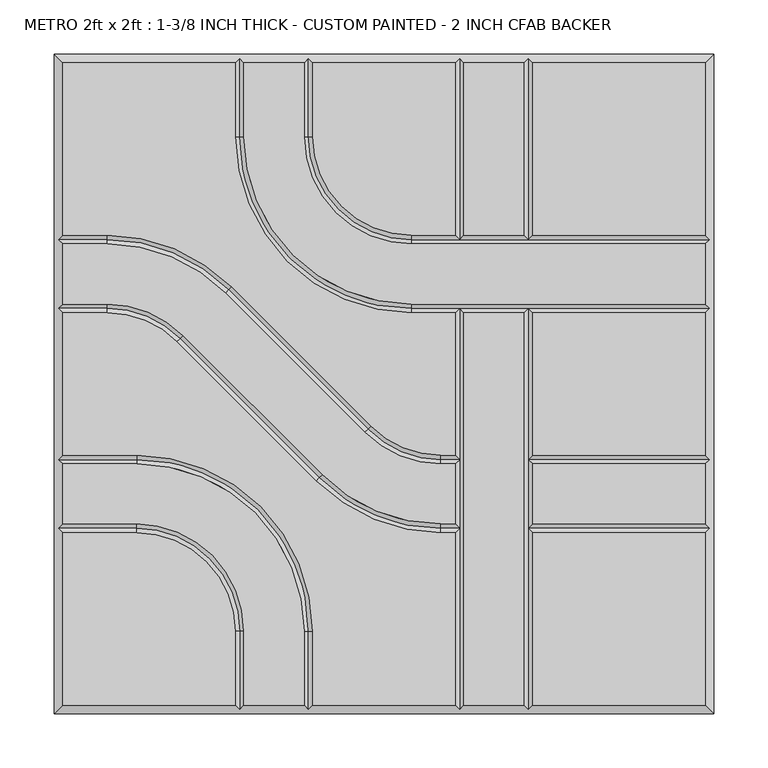
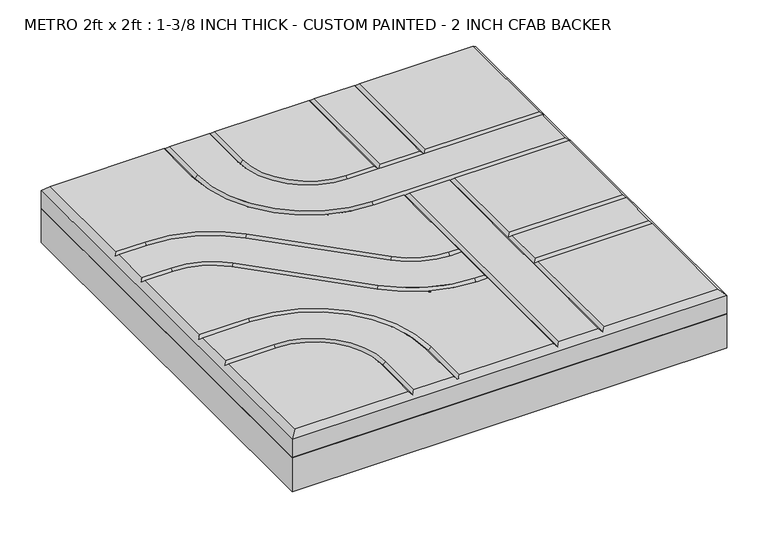
"""IFC4 building model written with IfcOpenShell, lengths in millimetres: proxy geometry, METRO 2ft x 2ft : 1-3/8 INCH THICK - CUSTOM PAINTED - 2 INCH CFAB BACKER."""

from ifc_helpers import new_model, si_unit, frame, origin, place, context, project, spatial, polyline, circle_curve, outline, extrude, source, transform, mapped, element, save
from ifc_brep_helpers import plane_surface, revolved_surface, advanced_brep


def metro_2ft_x_2ft_1_3_8_inch_thick_custom_painted_2_inch_cfab_18630307(model_context):
    return source(origin(), model_context, "Body", "SolidModel", [
        extrude(outline(polyline([(-304.8, 304.8), (304.8, 304.8), (304.8, -304.8), (-304.8, -304.8), (-304.8, 304.8)])), frame((0.0, 0.0, -50.8), z_axis=(0.0, 0.0, 1.0), x_axis=(1.0, 0.0, 0.0)), (0.0, 0.0, 1.0), 50.8),
        advanced_brep(
        [(-296.799, 296.799, 34.925), (-296.799, 137.3505125, 34.925), (-255.8081898, 137.3505125, 34.925), (-140.7286116, 89.6843987, 34.925), (-11.9143433, -39.124488, 34.925), (52.607449, -65.8495, 34.925), (65.8495, -65.8495, 34.925), (65.8495, 65.8494982, 34.925), (25.3995376, 65.8494982, 34.925), (-137.3509624, 228.5999982, 34.925), (-137.3509624, 296.799, 34.925), (296.799, 137.3504983, 34.925), (296.799, 296.799, 34.925), (137.3504989, 296.799, 34.925), (137.3504989, 137.3504983, 34.925), (-296.799, -137.3504992, 34.925), (-296.799, -296.799, 34.925), (-137.3505299, -296.799, 34.925), (-137.3505299, -228.5999992, 34.925), (-228.6000299, -137.3504992, 34.925), (137.3505, -296.799, 34.925), (296.799, -296.799, 34.925), (296.799, -137.3505, 34.925), (137.3505, -137.3505, 34.925), (52.607449, -73.8505, 34.925), (-17.5717865, -44.7821676, 34.925), (-146.3860548, 84.0267191, 34.925), (-255.8081898, 129.3495125, 34.925), (-296.799, 129.3495125, 34.925), (-296.799, 73.8505125, 34.925), (-255.8074396, 73.8505125, 34.925), (-185.6278585, 44.7818346, 34.925), (-56.8157432, -84.0261678, 34.925), (52.6069307, -129.3495, 34.925), (65.8495, -129.3495, 34.925), (65.8495, -73.8505, 34.925), (52.6069307, -137.3505, 34.925), (-62.4732142, -89.6838195, 34.925), (-191.2853295, 39.1241829, 34.925), (-255.8074396, 65.8495125, 34.925), (-296.799, 65.8495125, 34.925), (-296.799, -65.8494992, 34.925), (-228.6000171, -65.8494992, 34.925), (-65.8495171, -228.5999992, 34.925), (-65.8495171, -296.799, 34.925), (65.8495, -296.799, 34.925), (65.8495, -137.3505, 34.925), (-129.3495299, -228.5999992, 34.925), (-129.3495299, -296.799, 34.925), (-73.8505171, -296.799, 34.925), (-73.8505171, -228.5999992, 34.925), (-228.6000171, -73.8504992, 34.925), (-296.799, -73.8504992, 34.925), (-296.799, -129.3494992, 34.925), (-228.6000299, -129.3494992, 34.925), (-129.3499624, 296.799, 34.925), (-129.3499624, 228.5999982, 34.925), (25.3995376, 73.8504982, 34.925), (296.799, 73.8504982, 34.925), (296.799, 129.3494983, 34.925), (25.3995504, 129.3494983, 34.925), (-73.8509496, 228.5999983, 34.925), (-73.8509496, 296.799, 34.925), (-65.8499496, 296.799, 34.925), (-65.8499496, 228.5999983, 34.925), (25.3995504, 137.3504983, 34.925), (65.8494989, 137.3504983, 34.925), (65.8494989, 296.799, 34.925), (73.8504989, 296.799, 34.925), (73.8504989, 137.3504983, 34.925), (129.3494989, 137.3504983, 34.925), (129.3494989, 296.799, 34.925), (73.8505, 65.8494982, 34.925), (73.8505, -296.799, 34.925), (129.3495, -296.799, 34.925), (129.3495, 65.8494982, 34.925), (296.799, 65.8494982, 34.925), (137.3505, 65.8494982, 34.925), (137.3505, -65.8495, 34.925), (296.799, -65.8495, 34.925), (137.3505, -129.3495, 34.925), (296.799, -129.3495, 34.925), (296.799, -73.8505, 34.925), (137.3505, -73.8505, 34.925), (-304.8, 304.8, 0.0), (304.8, 304.8, 0.0), (304.8, -304.8, 0.0), (-304.8, -304.8, 0.0), (-304.8, -304.8, 26.924), (-304.8, 304.8, 26.924), (304.8, -304.8, 26.924), (304.8, 304.8, 26.924), (-133.3504624, 300.7995, 30.9245), (-69.8504496, 300.7995, 30.9245), (69.8499989, 300.7995, 30.9245), (133.3499989, 300.7995, 30.9245), (-300.7995, -133.3499992, 30.9245), (-300.7995, -69.8499992, 30.9245), (-300.7995, 69.8500125, 30.9245), (-300.7995, 133.3500125, 30.9245), (133.35, -300.7995, 30.9245), (69.85, -300.7995, 30.9245), (-69.8500171, -300.7995, 30.9245), (-133.3500299, -300.7995, 30.9245), (300.7995, 133.3499983, 30.9245), (300.7995, 69.8499982, 30.9245), (300.7995, -69.85, 30.9245), (300.7995, -133.35, 30.9245), (69.85, -69.85, 30.9245), (52.607449, -69.85, 30.9245), (-14.7430649, -41.9533278, 30.9245), (-143.5573332, 86.8555589, 30.9245), (-255.8081898, 133.3500125, 30.9245), (69.85, -133.35, 30.9245), (52.6069307, -133.35, 30.9245), (-59.6444787, -86.8549936, 30.9245), (-188.456594, 41.9530087, 30.9245), (-255.8074396, 69.8500125, 30.9245), (-133.3500299, -228.5999992, 30.9245), (-228.6000299, -133.3499992, 30.9245), (-228.6000171, -69.8499992, 30.9245), (-69.8500171, -228.5999992, 30.9245), (-133.3504624, 228.5999982, 30.9245), (25.3995376, 69.8499982, 30.9245), (69.85, 69.8499982, 30.9245), (133.35, 69.8499982, 30.9245), (-69.8504496, 228.5999983, 30.9245), (25.3995504, 133.3499983, 30.9245), (133.3499989, 133.3499983, 30.9245), (69.8499989, 133.3499983, 30.9245), (133.35, -133.35, 30.9245), (133.35, -69.85, 30.9245)],
        [
            (0, 1),
            (1, 2),
            (2, 3, circle_curve(frame((-255.8081898, -25.3999875, 34.925), z_axis=(0.0, 0.0, -1.0), x_axis=(0.7070920101993013, 0.7071215518652442, 0.0)), 162.7505)),
            (3, 4),
            (4, 5, circle_curve(frame((52.607449, 25.4, 34.925), z_axis=(0.0, 0.0, 1.0), x_axis=(0.0, -1.0, 0.0)), 91.2495)),
            (5, 6),
            (6, 7),
            (7, 8),
            (8, 9, circle_curve(frame((25.3995376, 228.5999982, 34.925), z_axis=(0.0, 0.0, -1.0), x_axis=(-1.0, 0.0, 0.0)), 162.7505)),
            (9, 10),
            (10, 0),
            (11, 12),
            (12, 13),
            (13, 14),
            (14, 11),
            (15, 16),
            (16, 17),
            (17, 18),
            (18, 19, circle_curve(frame((-228.6000299, -228.5999992, 34.925), z_axis=(0.0, 0.0, 1.0), x_axis=(1.0, 0.0, 0.0)), 91.2495)),
            (19, 15),
            (20, 21),
            (21, 22),
            (22, 23),
            (23, 20),
            (24, 25, circle_curve(frame((52.607449, 25.4, 34.925), z_axis=(0.0, 0.0, -1.0), x_axis=(0.0, -1.0, 0.0)), 99.2505)),
            (25, 26),
            (26, 27, circle_curve(frame((-255.8081898, -25.3999875, 34.925), z_axis=(0.0, 0.0, 1.0), x_axis=(0.7070920101993013, 0.7071215518652442, 0.0)), 154.7495)),
            (27, 28),
            (28, 29),
            (29, 30),
            (30, 31, circle_curve(frame((-255.8074396, -25.3999875, 34.925), z_axis=(0.0, 0.0, -1.0), x_axis=(0.7070954919838734, 0.7071180702089884, 0.0)), 99.2505)),
            (31, 32),
            (32, 33, circle_curve(frame((52.6069307, 25.4, 34.925), z_axis=(0.0, 0.0, 1.0), x_axis=(0.0, -1.0, 0.0)), 154.7495)),
            (33, 34),
            (34, 35),
            (35, 24),
            (36, 37, circle_curve(frame((52.6069307, 25.4, 34.925), z_axis=(0.0, 0.0, -1.0), x_axis=(0.0, -1.0, 0.0)), 162.7505)),
            (37, 38),
            (38, 39, circle_curve(frame((-255.8074396, -25.3999875, 34.925), z_axis=(0.0, 0.0, 1.0), x_axis=(0.7070954919838734, 0.7071180702089884, 0.0)), 91.2495)),
            (39, 40),
            (40, 41),
            (41, 42),
            (42, 43, circle_curve(frame((-228.6000171, -228.5999992, 34.925), z_axis=(0.0, 0.0, -1.0), x_axis=(0.0, 1.0, 0.0)), 162.7505)),
            (43, 44),
            (44, 45),
            (45, 46),
            (46, 36),
            (47, 48),
            (48, 49),
            (49, 50),
            (50, 51, circle_curve(frame((-228.6000171, -228.5999992, 34.925), z_axis=(0.0, 0.0, 1.0), x_axis=(0.0, 1.0, 0.0)), 154.7495)),
            (51, 52),
            (52, 53),
            (53, 54),
            (54, 47, circle_curve(frame((-228.6000299, -228.5999992, 34.925), z_axis=(0.0, 0.0, -1.0), x_axis=(1.0, 0.0, 0.0)), 99.2505)),
            (55, 56),
            (56, 57, circle_curve(frame((25.3995376, 228.5999982, 34.925), z_axis=(0.0, 0.0, 1.0), x_axis=(-1.0, 0.0, 0.0)), 154.7495)),
            (57, 58),
            (58, 59),
            (59, 60),
            (60, 61, circle_curve(frame((25.3995504, 228.5999983, 34.925), z_axis=(0.0, 0.0, -1.0), x_axis=(-1.0, 0.0, 0.0)), 99.2505)),
            (61, 62),
            (62, 55),
            (63, 64),
            (64, 65, circle_curve(frame((25.3995504, 228.5999983, 34.925), z_axis=(0.0, 0.0, 1.0), x_axis=(-1.0, 0.0, 0.0)), 91.2495)),
            (65, 66),
            (66, 67),
            (67, 63),
            (68, 69),
            (69, 70),
            (70, 71),
            (71, 68),
            (72, 73),
            (73, 74),
            (74, 75),
            (75, 72),
            (76, 77),
            (77, 78),
            (78, 79),
            (79, 76),
            (80, 81),
            (81, 82),
            (82, 83),
            (83, 80),
            (84, 85),
            (85, 86),
            (86, 87),
            (87, 84),
            (87, 88),
            (88, 89),
            (89, 84),
            (86, 90),
            (90, 88),
            (85, 91),
            (91, 90),
            (89, 91),
            (89, 0),
            (10, 92),
            (92, 55),
            (62, 93),
            (93, 63),
            (67, 94),
            (94, 68),
            (71, 95),
            (95, 13),
            (12, 91),
            (88, 16),
            (15, 96),
            (96, 53),
            (52, 97),
            (97, 41),
            (40, 98),
            (98, 29),
            (28, 99),
            (99, 1),
            (90, 21),
            (20, 100),
            (100, 74),
            (73, 101),
            (101, 45),
            (44, 102),
            (102, 49),
            (48, 103),
            (103, 17),
            (11, 104),
            (104, 59),
            (58, 105),
            (105, 76),
            (79, 106),
            (106, 82),
            (81, 107),
            (107, 22),
            (108, 109),
            (109, 24),
            (35, 108),
            (108, 6),
            (5, 109),
            (109, 110, circle_curve(frame((52.607449, 25.4, 30.9245), z_axis=(0.0, 0.0, -1.0), x_axis=(0.0, -1.0, 0.0)), 95.25)),
            (110, 25),
            (4, 110),
            (110, 111),
            (111, 26),
            (3, 111),
            (111, 112, circle_curve(frame((-255.8081898, -25.3999875, 30.9245), z_axis=(0.0, 0.0, 1.0), x_axis=(0.7070920101993013, 0.7071215518652442, 0.0)), 158.75)),
            (112, 27),
            (2, 112),
            (112, 99),
            (113, 114),
            (114, 36),
            (46, 113),
            (113, 34),
            (33, 114),
            (114, 115, circle_curve(frame((52.6069307, 25.4, 30.9245), z_axis=(0.0, 0.0, -1.0), x_axis=(0.0, -1.0, 0.0)), 158.75)),
            (115, 37),
            (32, 115),
            (115, 116),
            (116, 38),
            (31, 116),
            (116, 117, circle_curve(frame((-255.8074396, -25.3999875, 30.9245), z_axis=(0.0, 0.0, 1.0), x_axis=(0.7070954919838734, 0.7071180702089884, 0.0)), 95.25)),
            (117, 39),
            (30, 117),
            (117, 98),
            (118, 18),
            (103, 118),
            (47, 118),
            (118, 119, circle_curve(frame((-228.6000299, -228.5999992, 30.9245), z_axis=(0.0, 0.0, 1.0), x_axis=(1.0, 0.0, 0.0)), 95.25)),
            (119, 19),
            (54, 119),
            (119, 96),
            (120, 42),
            (97, 120),
            (51, 120),
            (120, 121, circle_curve(frame((-228.6000171, -228.5999992, 30.9245), z_axis=(0.0, 0.0, -1.0), x_axis=(0.0, 1.0, 0.0)), 158.75)),
            (121, 43),
            (50, 121),
            (121, 102),
            (122, 56),
            (92, 122),
            (9, 122),
            (122, 123, circle_curve(frame((25.3995376, 228.5999982, 30.9245), z_axis=(0.0, 0.0, 1.0), x_axis=(-1.0, 0.0, 0.0)), 158.75)),
            (123, 57),
            (8, 123),
            (123, 124),
            (124, 125),
            (125, 105),
            (125, 77),
            (7, 124),
            (124, 72),
            (75, 125),
            (126, 64),
            (93, 126),
            (61, 126),
            (126, 127, circle_curve(frame((25.3995504, 228.5999983, 30.9245), z_axis=(0.0, 0.0, 1.0), x_axis=(-1.0, 0.0, 0.0)), 95.25)),
            (127, 65),
            (60, 127),
            (14, 128),
            (128, 104),
            (127, 129),
            (129, 66),
            (69, 129),
            (129, 128),
            (128, 70),
            (129, 94),
            (128, 95),
            (108, 124),
            (113, 108),
            (101, 113),
            (100, 130),
            (130, 131),
            (131, 125),
            (23, 130),
            (131, 78),
            (130, 80),
            (83, 131),
            (107, 130),
            (106, 131),
        ],
        [
            plane_surface(frame((-304.8, 304.8, 34.925), z_axis=(0.0, 0.0, 1.0), x_axis=(0.0, -1.0, 0.0))),
            plane_surface(frame((-304.8, 304.8, 0.0), z_axis=(0.0, 0.0, -1.0), x_axis=(0.0, 1.0, 0.0))),
            plane_surface(frame((-304.8, 304.8, 34.925), z_axis=(-1.0, 0.0, 0.0), x_axis=(0.0, 0.0, -1.0))),
            plane_surface(frame((-304.8, -304.8, 34.925), z_axis=(0.0, -1.0, 0.0), x_axis=(0.0, 0.0, -1.0))),
            plane_surface(frame((304.8, -304.8, 34.925), z_axis=(1.0, 0.0, 0.0), x_axis=(0.0, 0.0, -1.0))),
            plane_surface(frame((304.8, 304.8, 34.925), z_axis=(0.0, 1.0, 0.0), x_axis=(0.0, 0.0, -1.0))),
            plane_surface(frame((296.799, 296.799, 34.925), z_axis=(0.0, 0.707106781186547, 0.7071067811865481), x_axis=(-1.0, 0.0, 0.0))),
            plane_surface(frame((-296.799, 296.799, 34.925), z_axis=(-0.707106781186547, 0.0, 0.7071067811865481), x_axis=(0.0, -1.0, 0.0))),
            plane_surface(frame((-296.799, -296.799, 34.925), z_axis=(0.0, -0.707106781186547, 0.7071067811865481), x_axis=(1.0, 0.0, 0.0))),
            plane_surface(frame((296.799, -296.799, 34.925), z_axis=(0.707106781186547, 0.0, 0.7071067811865481), x_axis=(0.0, 1.0, 0.0))),
            plane_surface(frame((69.85, -73.8505, 34.925), z_axis=(0.0, 0.7071067811865469, 0.7071067811865482), x_axis=(-1.0, 0.0, 0.0))),
            plane_surface(frame((69.85, -69.85, 30.9245), z_axis=(0.0, -0.7071067811865469, 0.7071067811865482), x_axis=(-1.0, 0.0, 0.0))),
            revolved_surface(polyline([(52.607449, -69.85, 30.9245), (52.607449, -73.8505, 34.925)]), (52.607449, 25.4, 34.925), (0.0, 0.0, -1.0)),
            revolved_surface(polyline([(52.607449, -65.8495, 34.925), (52.607449, -69.85, 30.9245)]), (52.607449, 25.4, 34.925), (0.0, 0.0, -1.0)),
            plane_surface(frame((-17.5717865, -44.7821676, 34.925), z_axis=(0.49998955533475287, 0.5000104444470687, 0.7071067811865481), x_axis=(-0.7071215518652442, 0.7070920101993012, 0.0))),
            plane_surface(frame((-14.7430649, -41.9533278, 30.9245), z_axis=(-0.49998955533475287, -0.5000104444470689, 0.7071067811865483), x_axis=(-0.7071215518652444, 0.7070920101993012, 0.0))),
            revolved_surface(polyline([(-143.5573332, 86.8555589, 30.9245), (-146.3860548, 84.0267191, 34.925)]), (-255.8081898, -25.3999875, 34.925), (0.0, 0.0, 1.0)),
            revolved_surface(polyline([(-140.7286116, 89.6843987, 34.925), (-143.5573332, 86.8555589, 30.9245)]), (-255.8081898, -25.3999875, 34.925), (0.0, 0.0, 1.0)),
            plane_surface(frame((-255.8081898, 129.3495125, 34.925), z_axis=(0.0, 0.7071067811865469, 0.7071067811865482), x_axis=(-1.0, 0.0, 0.0))),
            plane_surface(frame((-255.8081898, 133.3500125, 30.9245), z_axis=(0.0, -0.7071067811865469, 0.7071067811865482), x_axis=(-1.0, 0.0, 0.0))),
            plane_surface(frame((69.85, -137.3505, 34.925), z_axis=(0.0, 0.7071067811865471, 0.707106781186548), x_axis=(-1.0, 0.0, 0.0))),
            plane_surface(frame((69.85, -133.35, 30.9245), z_axis=(0.0, -0.7071067811865471, 0.707106781186548), x_axis=(-1.0, 0.0, 0.0))),
            revolved_surface(polyline([(52.6069307, -133.35, 30.9245), (52.6069307, -137.3505, 34.925)]), (52.6069307, 25.4, 34.925), (0.0, 0.0, -1.0)),
            revolved_surface(polyline([(52.6069307, -129.3495, 34.925), (52.6069307, -133.35, 30.9245)]), (52.6069307, 25.4, 34.925), (0.0, 0.0, -1.0)),
            plane_surface(frame((-62.4732142, -89.6838195, 34.925), z_axis=(0.49999201732823445, 0.5000079825443209, 0.7071067811865479), x_axis=(-0.7071180702089888, 0.7070954919838731, 0.0))),
            plane_surface(frame((-59.6444787, -86.8549936, 30.9245), z_axis=(-0.49999201732823445, -0.5000079825443208, 0.707106781186548), x_axis=(-0.7071180702089888, 0.7070954919838732, 0.0))),
            revolved_surface(polyline([(-188.456594, 41.9530087, 30.9245), (-191.2853295, 39.1241829, 34.925)]), (-255.8074396, -25.3999875, 34.925), (0.0, 0.0, 1.0)),
            revolved_surface(polyline([(-185.6278585, 44.7818346, 34.925), (-188.456594, 41.9530087, 30.9245)]), (-255.8074396, -25.3999875, 34.925), (0.0, 0.0, 1.0)),
            plane_surface(frame((-255.8074396, 65.8495125, 34.925), z_axis=(0.0, 0.7071067811865472, 0.7071067811865479), x_axis=(-1.0, 0.0, 0.0))),
            plane_surface(frame((-255.8074396, 69.8500125, 30.9245), z_axis=(0.0, -0.7071067811865472, 0.7071067811865479), x_axis=(-1.0, 0.0, 0.0))),
            plane_surface(frame((-137.3505299, -304.8, 34.925), z_axis=(0.707106781186547, 0.0, 0.7071067811865481), x_axis=(0.0, 1.0, 0.0))),
            plane_surface(frame((-133.3500299, -304.8, 30.9245), z_axis=(-0.707106781186547, 0.0, 0.7071067811865481), x_axis=(0.0, 1.0, 0.0))),
            revolved_surface(polyline([(-133.3500299, -228.5999992, 30.9245), (-137.3505299, -228.5999992, 34.925)]), (-228.6000299, -228.5999992, 34.925), (0.0, 0.0, 1.0)),
            revolved_surface(polyline([(-129.3495299, -228.5999992, 34.925), (-133.3500299, -228.5999992, 30.9245)]), (-228.6000299, -228.5999992, 34.925), (0.0, 0.0, 1.0)),
            plane_surface(frame((-228.6000299, -137.3504992, 34.925), z_axis=(0.0, 0.707106781186547, 0.7071067811865481), x_axis=(-1.0, 0.0, 0.0))),
            plane_surface(frame((-228.6000299, -133.3499992, 30.9245), z_axis=(0.0, -0.707106781186547, 0.7071067811865481), x_axis=(-1.0, 0.0, 0.0))),
            plane_surface(frame((-304.8, -65.8494992, 34.925), z_axis=(0.0, -0.707106781186547, 0.7071067811865481), x_axis=(1.0, 0.0, 0.0))),
            plane_surface(frame((-304.8, -69.8499992, 30.9245), z_axis=(0.0, 0.707106781186547, 0.7071067811865481), x_axis=(1.0, 0.0, 0.0))),
            revolved_surface(polyline([(-228.6000171, -69.8499992, 30.9245), (-228.6000171, -65.8494992, 34.925)]), (-228.6000171, -228.5999992, 34.925), (0.0, 0.0, -1.0)),
            revolved_surface(polyline([(-228.6000171, -73.8504992, 34.925), (-228.6000171, -69.8499992, 30.9245)]), (-228.6000171, -228.5999992, 34.925), (0.0, 0.0, -1.0)),
            plane_surface(frame((-65.8495171, -228.5999992, 34.925), z_axis=(-0.707106781186547, 0.0, 0.7071067811865481), x_axis=(0.0, -1.0, 0.0))),
            plane_surface(frame((-69.8500171, -228.5999992, 30.9245), z_axis=(0.707106781186547, 0.0, 0.7071067811865481), x_axis=(0.0, -1.0, 0.0))),
            plane_surface(frame((-129.3499624, 304.8, 34.925), z_axis=(-0.707106781186547, 0.0, 0.7071067811865481), x_axis=(0.0, -1.0, 0.0))),
            plane_surface(frame((-133.3504624, 304.8, 30.9245), z_axis=(0.707106781186547, 0.0, 0.7071067811865481), x_axis=(0.0, -1.0, 0.0))),
            revolved_surface(polyline([(-133.3504624, 228.5999982, 30.9245), (-129.3499624, 228.5999982, 34.925)]), (25.3995376, 228.5999982, 34.925), (0.0, 0.0, 1.0)),
            revolved_surface(polyline([(-137.3509624, 228.5999982, 34.925), (-133.3504624, 228.5999982, 30.9245)]), (25.3995376, 228.5999982, 34.925), (0.0, 0.0, 1.0)),
            plane_surface(frame((25.3995376, 73.8504982, 34.925), z_axis=(0.0, -0.707106781186547, 0.7071067811865481), x_axis=(1.0, 0.0, 0.0))),
            plane_surface(frame((25.3995376, 69.8499982, 30.9245), z_axis=(0.0, 0.707106781186547, 0.7071067811865481), x_axis=(1.0, 0.0, 0.0))),
            plane_surface(frame((-65.8499496, 304.8, 34.925), z_axis=(-0.707106781186547, 0.0, 0.7071067811865481), x_axis=(0.0, -1.0, 0.0))),
            plane_surface(frame((-69.8504496, 304.8, 30.9245), z_axis=(0.707106781186547, 0.0, 0.7071067811865481), x_axis=(0.0, -1.0, 0.0))),
            revolved_surface(polyline([(-69.8504496, 228.5999983, 30.9245), (-65.8499496, 228.5999983, 34.925)]), (25.3995504, 228.5999983, 34.925), (0.0, 0.0, 1.0)),
            revolved_surface(polyline([(-73.8509496, 228.5999983, 34.925), (-69.8504496, 228.5999983, 30.9245)]), (25.3995504, 228.5999983, 34.925), (0.0, 0.0, 1.0)),
            plane_surface(frame((25.3995504, 137.3504983, 34.925), z_axis=(0.0, -0.707106781186547, 0.7071067811865481), x_axis=(1.0, 0.0, 0.0))),
            plane_surface(frame((25.3995504, 133.3499983, 30.9245), z_axis=(0.0, 0.707106781186547, 0.7071067811865481), x_axis=(1.0, 0.0, 0.0))),
            plane_surface(frame((65.8494989, 133.35, 34.925), z_axis=(0.707106781186547, 0.0, 0.7071067811865481), x_axis=(0.0, 1.0, 0.0))),
            plane_surface(frame((69.8499989, 133.35, 30.9245), z_axis=(-0.707106781186547, 0.0, 0.7071067811865481), x_axis=(0.0, 1.0, 0.0))),
            plane_surface(frame((129.3494989, 133.35, 34.925), z_axis=(0.707106781186547, 0.0, 0.7071067811865481), x_axis=(0.0, 1.0, 0.0))),
            plane_surface(frame((133.3499989, 133.35, 30.9245), z_axis=(-0.707106781186547, 0.0, 0.7071067811865481), x_axis=(0.0, 1.0, 0.0))),
            plane_surface(frame((65.8495, -304.8, 34.925), z_axis=(0.707106781186547, 0.0, 0.7071067811865481), x_axis=(0.0, 1.0, 0.0))),
            plane_surface(frame((69.85, -304.8, 30.9245), z_axis=(-0.707106781186547, 0.0, 0.7071067811865481), x_axis=(0.0, 1.0, 0.0))),
            plane_surface(frame((129.3495, -304.8, 34.925), z_axis=(0.707106781186547, 0.0, 0.7071067811865481), x_axis=(0.0, 1.0, 0.0))),
            plane_surface(frame((133.35, -304.8, 30.9245), z_axis=(-0.707106781186547, 0.0, 0.7071067811865481), x_axis=(0.0, 1.0, 0.0))),
            plane_surface(frame((304.8, -137.3505, 34.925), z_axis=(0.0, 0.707106781186547, 0.7071067811865481), x_axis=(-1.0, 0.0, 0.0))),
            plane_surface(frame((304.8, -133.35, 30.9245), z_axis=(0.0, -0.707106781186547, 0.7071067811865481), x_axis=(-1.0, 0.0, 0.0))),
            plane_surface(frame((304.8, -73.8505, 34.925), z_axis=(0.0, 0.707106781186547, 0.7071067811865481), x_axis=(-1.0, 0.0, 0.0))),
            plane_surface(frame((304.8, -69.85, 30.9245), z_axis=(0.0, -0.707106781186547, 0.7071067811865481), x_axis=(-1.0, 0.0, 0.0))),
        ],
        [
            (0, [[1, 2, 3, 4, 5, 6, 7, 8, 9, 10, 11]]),
            (0, [[12, 13, 14, 15]]),
            (0, [[16, 17, 18, 19, 20]]),
            (0, [[21, 22, 23, 24]]),
            (0, [[25, 26, 27, 28, 29, 30, 31, 32, 33, 34, 35, 36]]),
            (0, [[37, 38, 39, 40, 41, 42, 43, 44, 45, 46, 47]]),
            (0, [[48, 49, 50, 51, 52, 53, 54, 55]]),
            (0, [[56, 57, 58, 59, 60, 61, 62, 63]]),
            (0, [[64, 65, 66, 67, 68]]),
            (0, [[69, 70, 71, 72]]),
            (0, [[73, 74, 75, 76]]),
            (0, [[77, 78, 79, 80]]),
            (0, [[81, 82, 83, 84]]),
            (1, [[85, 86, 87, 88]]),
            (2, [[-88, 89, 90, 91]]),
            (3, [[-87, 92, 93, -89]]),
            (4, [[-86, 94, 95, -92]]),
            (5, [[-85, -91, 96, -94]]),
            (6, [[97, -11, 98, 99, -63, 100, 101, -68, 102, 103, -72, 104, 105, -13, 106, -96]]),
            (7, [[-97, -90, 107, -16, 108, 109, -53, 110, 111, -41, 112, 113, -29, 114, 115, -1]]),
            (8, [[-107, -93, 116, -21, 117, 118, -74, 119, 120, -45, 121, 122, -49, 123, 124, -17]]),
            (9, [[-106, -12, 125, 126, -59, 127, 128, -80, 129, 130, -82, 131, 132, -22, -116, -95]]),
            (10, [[133, 134, -36, 135]]),
            (11, [[-133, 136, -6, 137]]),
            (12, [[-134, 138, 139, -25]]),
            (13, [[-137, -5, 140, -138]]),
            (14, [[-139, 141, 142, -26]]),
            (15, [[-140, -4, 143, -141]]),
            (16, [[-142, 144, 145, -27]]),
            (17, [[-143, -3, 146, -144]]),
            (18, [[-145, 147, -114, -28]]),
            (19, [[-146, -2, -115, -147]]),
            (20, [[148, 149, -47, 150]]),
            (21, [[-148, 151, -34, 152]]),
            (22, [[-149, 153, 154, -37]]),
            (23, [[-152, -33, 155, -153]]),
            (24, [[-154, 156, 157, -38]]),
            (25, [[-155, -32, 158, -156]]),
            (26, [[-157, 159, 160, -39]]),
            (27, [[-158, -31, 161, -159]]),
            (28, [[-160, 162, -112, -40]]),
            (29, [[-161, -30, -113, -162]]),
            (30, [[163, -18, -124, 164]]),
            (31, [[165, -164, -123, -48]]),
            (32, [[-163, 166, 167, -19]]),
            (33, [[-165, -55, 168, -166]]),
            (34, [[-167, 169, -108, -20]]),
            (35, [[-168, -54, -109, -169]]),
            (36, [[170, -42, -111, 171]]),
            (37, [[172, -171, -110, -52]]),
            (38, [[-170, 173, 174, -43]]),
            (39, [[-172, -51, 175, -173]]),
            (40, [[-174, 176, -121, -44]]),
            (41, [[-175, -50, -122, -176]]),
            (42, [[177, -56, -99, 178]]),
            (43, [[179, -178, -98, -10]]),
            (44, [[-177, 180, 181, -57]]),
            (45, [[-179, -9, 182, -180]]),
            (46, [[-181, 183, 184, 185, -127, -58]]),
            (47, [[-128, -185, 186, -77]]),
            (47, [[-182, -8, 187, -183]]),
            (47, [[188, -76, 189, -184]]),
            (48, [[190, -64, -101, 191]]),
            (49, [[192, -191, -100, -62]]),
            (50, [[-190, 193, 194, -65]]),
            (51, [[-192, -61, 195, -193]]),
            (52, [[-125, -15, 196, 197]]),
            (52, [[-194, 198, 199, -66]]),
            (52, [[200, 201, 202, -70]]),
            (53, [[-195, -60, -126, -197, -201, -198]]),
            (54, [[203, -102, -67, -199]]),
            (55, [[-203, -200, -69, -103]]),
            (56, [[204, -104, -71, -202]]),
            (57, [[-204, -196, -14, -105]]),
            (58, [[205, -187, -7, -136]]),
            (58, [[206, -135, -35, -151]]),
            (58, [[207, -150, -46, -120]]),
            (59, [[-205, -206, -207, -119, -73, -188]]),
            (60, [[-75, -118, 208, 209, 210, -189]]),
            (61, [[-117, -24, 211, -208]]),
            (61, [[-186, -210, 212, -78]]),
            (61, [[213, -84, 214, -209]]),
            (62, [[215, -211, -23, -132]]),
            (63, [[-215, -131, -81, -213]]),
            (64, [[216, -214, -83, -130]]),
            (65, [[-216, -129, -79, -212]]),
        ],
    ),
    ])


if __name__ == "__main__":
    model = new_model("IFC4")
    model_context = context("Model", 3, world=origin())
    ifc_project = project(units=[si_unit("LENGTHUNIT", "METRE", prefix="MILLI")], contexts=[model_context])
    site = spatial("IfcSite", under=ifc_project)
    building = spatial("IfcBuilding", under=site)
    placement = place(None, origin())
    metro_2ft_x_2ft_1_3_8_inch_thick_custom_painted_2_inch_cfab_shape = metro_2ft_x_2ft_1_3_8_inch_thick_custom_painted_2_inch_cfab_18630307(model_context)
    element("IfcBuildingElementProxy", 1, Name="METRO 2ft x 2ft : 1-3/8 INCH THICK - CUSTOM PAINTED - 2 INCH CFAB BACKER", ObjectType="METRO 2ft x 2ft : 1-3/8 INCH THICK - CUSTOM PAINTED - 2 INCH CFAB BACKER", at=placement, inside=building, context=model_context, shape_type="MappedRepresentation", body=[
        mapped(metro_2ft_x_2ft_1_3_8_inch_thick_custom_painted_2_inch_cfab_shape, transform((0.0, 0.0, 0.0), x_axis=(1.0, 0.0, 0.0), y_axis=(0.0, 1.0, 0.0), z_axis=(0.0, 0.0, 1.0))),
    ])
    save(model, "model.ifc")
